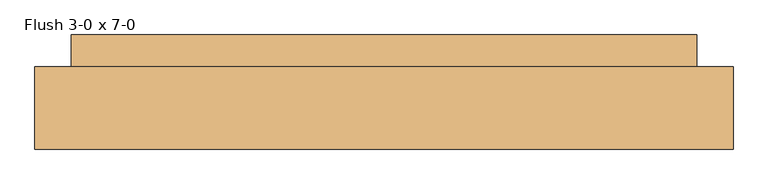
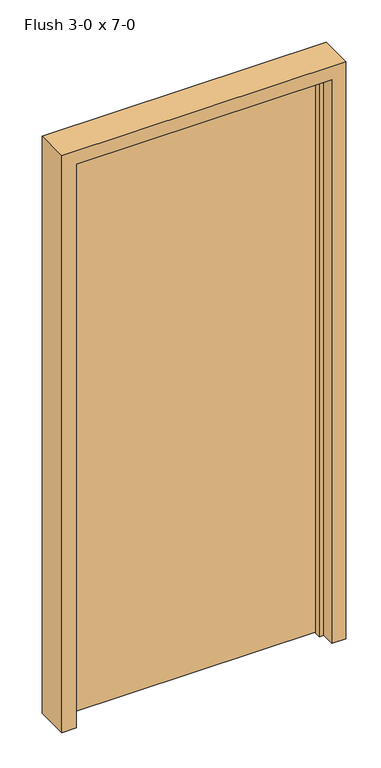
"""IFC4 building model written with IfcOpenShell, lengths in millimetres: door geometry, Flush 3-0 x 7-0."""

from ifc_helpers import new_model, si_unit, frame, origin, place, context, project, spatial, polyline, outline, extrude, source, transform, mapped, element, save


def flush_3_0_x_7_0_c225c861(model_context):
    return source(origin(), model_context, "Body", "SweptSolid", [
        extrude(outline(polyline([(0.0, 457.2), (0.0, 508.0), (2184.4, 508.0), (2184.4, -508.0), (0.0, -508.0), (0.0, -457.2), (2133.6, -457.2), (2133.6, 457.2), (0.0, 457.2)])), frame((0.0, -74.6125, 0.0), z_axis=(0.0, 1.0, 0.0), x_axis=(0.0, 0.0, 1.0)), (0.0, 0.0, 1.0), 120.65),
        extrude(outline(polyline([(454.81875, 92.075), (454.81875, -3.175), (-454.81875, -3.175), (-454.81875, 92.075), (454.81875, 92.075)])), frame((0.0, 0.0, 4.7625), z_axis=(0.0, 0.0, 1.0), x_axis=(1.0, 0.0, 0.0)), (0.0, 0.0, 1.0), 2112.9625),
        extrude(outline(polyline([(0.0, 441.325), (0.0, 457.2), (2133.6, 457.2), (2133.6, -457.2), (0.0, -457.2), (0.0, -441.325), (2117.725, -441.325), (2117.725, 441.325), (0.0, 441.325)])), frame((0.0, -25.4, 0.0), z_axis=(0.0, 1.0, 0.0), x_axis=(0.0, 0.0, 1.0)), (0.0, 0.0, 1.0), 22.225),
    ])


if __name__ == "__main__":
    model = new_model("IFC4")
    model_context = context("Model", 3, world=origin())
    ifc_project = project(units=[si_unit("LENGTHUNIT", "METRE", prefix="MILLI")], contexts=[model_context])
    site = spatial("IfcSite", under=ifc_project)
    building = spatial("IfcBuilding", under=site)
    placement = place(None, origin())
    flush_3_0_x_7_0_shape = flush_3_0_x_7_0_c225c861(model_context)
    element("IfcDoor", 1, ObjectType="Flush 3-0 x 7-0", at=placement, inside=building, context=model_context, shape_type="MappedRepresentation", body=[
        mapped(flush_3_0_x_7_0_shape, transform((0.0, 0.0, 0.0), x_axis=(1.0, 0.0, 0.0), y_axis=(0.0, 1.0, 0.0), z_axis=(0.0, 0.0, 1.0))),
    ])
    save(model, "model.ifc")
